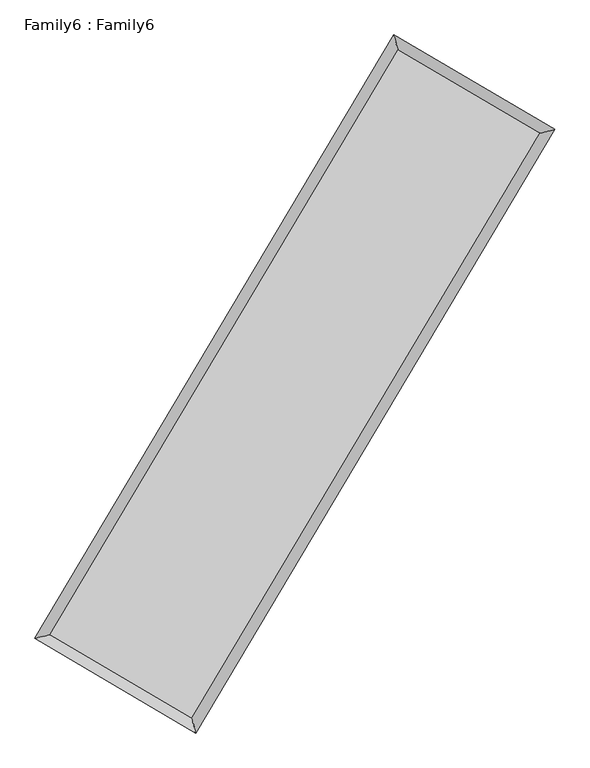
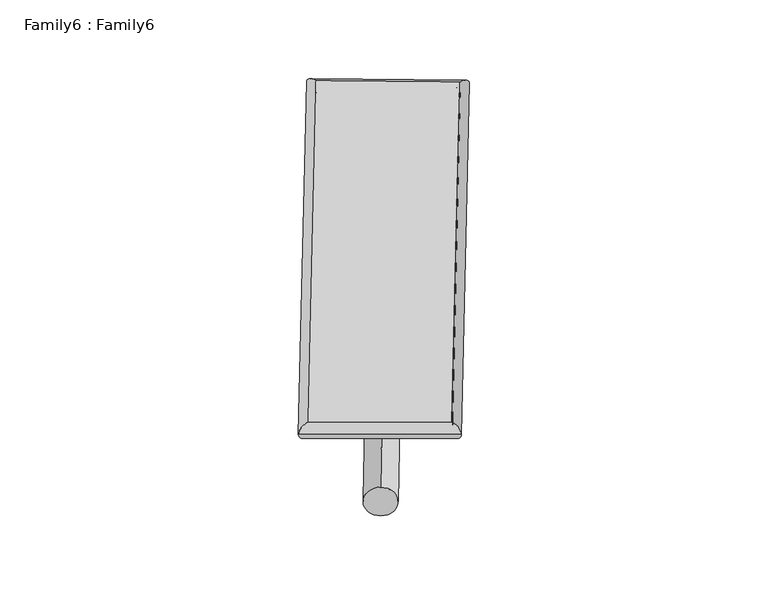
"""IFC4 building model written with IfcOpenShell, lengths in millimetres: plate geometry, Family6 : Family6."""

import ifcopenshell
import ifcopenshell.guid

model = None  # the IFC model being written
_history = None  # IfcOwnerHistory: only IFC2X3 demands one
_inside = {}  # id of a spatial element -> (the spatial element, [elements in it])
_under = {}  # id of a project, library or spatial element -> (it, [spatial elements below it])
_declared = {}  # id of a project -> (the project, [libraries it declares])
_typed = {}  # id of a type object -> (the type object, [elements of that type])
_made_of = {}  # id of a material, layer set ... -> (it, [elements and type objects made of it])


def new_model(schema):
    """Start an empty IFC model of exactly this schema.

    Asked for "IFC4X3", IfcOpenShell would pick the latest addendum, in which some entities
    have other attributes; the version numbers below select the first issue.
    IFC2X3 requires an IfcOwnerHistory on every rooted entity: one is made here for all.
    """
    global model, _history
    if schema == "IFC4X3":
        model = ifcopenshell.file(schema_version=(4, 3, 0, 0))
    else:
        model = ifcopenshell.file(schema=schema)
    _inside.clear()
    _under.clear()
    _declared.clear()
    _typed.clear()
    _made_of.clear()
    _history = None
    if model.schema == "IFC2X3":
        org = make("IfcOrganization", Name="unknown")
        user = make(
            "IfcPersonAndOrganization",
            ThePerson=make("IfcPerson", FamilyName="unknown"),
            TheOrganization=org,
        )
        app = make(
            "IfcApplication",
            ApplicationDeveloper=org,
            Version="unknown",
            ApplicationFullName="unknown",
            ApplicationIdentifier="unknown",
        )
        _history = make(
            "IfcOwnerHistory",
            OwningUser=user,
            OwningApplication=app,
            ChangeAction="ADDED",
            CreationDate=0,
        )
    return model


def make(cls, **values):
    """One entity of the class cls with the attributes given. An attribute that is None is left unset."""
    return model.create_entity(
        cls, **{name: value for name, value in values.items() if value is not None}
    )


def rooted(cls, **values):
    """An entity with a GlobalId (a new one), such as an element, a storey or a relation."""
    return make(cls, GlobalId=ifcopenshell.guid.new(), OwnerHistory=_history, **values)


def si_unit(unit_type, name, prefix=None):
    """IfcSIUnit, for example si_unit("LENGTHUNIT", "METRE", prefix="MILLI")."""
    return make("IfcSIUnit", UnitType=unit_type, Prefix=prefix, Name=name)


def assignment(units):
    """IfcUnitAssignment: the units of a project."""
    return None if units is None else make("IfcUnitAssignment", Units=units)


def point(xyz):
    """IfcCartesianPoint."""
    return None if xyz is None else make("IfcCartesianPoint", Coordinates=xyz)


def direction(xyz):
    """IfcDirection."""
    return None if xyz is None else make("IfcDirection", DirectionRatios=xyz)


def frame(location, z_axis=None, x_axis=None):
    """IfcAxis2Placement3D, a coordinate frame: its origin and axes. An axis left out is left unset."""
    return make(
        "IfcAxis2Placement3D",
        Location=point(location),
        Axis=direction(z_axis),
        RefDirection=direction(x_axis),
    )


def frame_2d(location, x_axis=None):
    """IfcAxis2Placement2D, a coordinate frame in the plane: its origin and x axis."""
    return make(
        "IfcAxis2Placement2D", Location=point(location), RefDirection=direction(x_axis)
    )


def origin():
    """The frame at (0, 0, 0) with its axes left unset."""
    return frame((0.0, 0.0, 0.0))


def origin_2d():
    """The frame at (0, 0) in the plane with its x axis left unset."""
    return frame_2d((0.0, 0.0))


def place(relative_to, where):
    """IfcLocalPlacement: puts the frame where relative to a parent placement (None: the world)."""
    return make(
        "IfcLocalPlacement", PlacementRelTo=relative_to, RelativePlacement=where
    )


def context(
    kind, dimensions, precision=None, world=None, true_north=None, identifier=None
):
    """IfcGeometricRepresentationContext, for example the 3D "Model" context."""
    return make(
        "IfcGeometricRepresentationContext",
        ContextIdentifier=identifier,
        ContextType=kind,
        CoordinateSpaceDimension=dimensions,
        Precision=precision,
        WorldCoordinateSystem=world,
        TrueNorth=true_north,
    )


def project(units=None, contexts=None):
    """IfcProject with its units and contexts."""
    return rooted(
        "IfcProject",
        Name="project",
        RepresentationContexts=contexts,
        UnitsInContext=assignment(units),
    )


def spatial(cls, under=None, at=None, **own):
    """A site, building, storey or space (cls), placed at a placement, below another one or the project."""
    s = rooted(cls, ObjectPlacement=at, **own)
    if under is not None:
        _under.setdefault(under.id(), (under, []))[1].append(s)
    return s


def circle_curve(where, radius):
    """IfcCircle in the frame where."""
    return make("IfcCircle", Position=where, Radius=radius)


def ellipse_curve(where, semi_axis1, semi_axis2):
    """IfcEllipse in the frame where."""
    return make(
        "IfcEllipse", Position=where, SemiAxis1=semi_axis1, SemiAxis2=semi_axis2
    )


def trimmed(basis, trim1, trim2, sense, master):
    """IfcTrimmedCurve: the piece of a basis curve between two trims."""
    return make(
        "IfcTrimmedCurve",
        BasisCurve=basis,
        Trim1=trim1,
        Trim2=trim2,
        SenseAgreement=sense,
        MasterRepresentation=master,
    )


def segment(curve, same_sense, transition):
    """IfcCompositeCurveSegment."""
    return make(
        "IfcCompositeCurveSegment",
        Transition=transition,
        SameSense=same_sense,
        ParentCurve=curve,
    )


def composite_curve(segments, self_intersect=None):
    """IfcCompositeCurve: segments joined end to end."""
    return make("IfcCompositeCurve", Segments=segments, SelfIntersect=self_intersect)


def outline(outer, holes=None, kind="AREA"):
    """IfcArbitraryClosedProfileDef: a profile drawn as a closed curve; with holes, ...WithVoids."""
    if holes is None:
        return make("IfcArbitraryClosedProfileDef", ProfileType=kind, OuterCurve=outer)
    return make(
        "IfcArbitraryProfileDefWithVoids",
        ProfileType=kind,
        OuterCurve=outer,
        InnerCurves=holes,
    )


def extrude(swept, where, along, depth):
    """IfcExtrudedAreaSolid: the profile swept, set in the frame where, extruded along a direction by depth."""
    return make(
        "IfcExtrudedAreaSolid",
        SweptArea=swept,
        Position=where,
        ExtrudedDirection=direction(along),
        Depth=depth,
    )


def shape(context_of_items, identifier, shape_type, items):
    """IfcShapeRepresentation: the items that make up one representation, for example the "Body"."""
    return make(
        "IfcShapeRepresentation",
        ContextOfItems=context_of_items,
        RepresentationIdentifier=identifier,
        RepresentationType=shape_type,
        Items=items,
    )


def source(mapping_origin, context_of_items, identifier, shape_type, items):
    """IfcRepresentationMap: a shape defined once, which mapped items show again and again."""
    return make(
        "IfcRepresentationMap",
        MappingOrigin=mapping_origin,
        MappedRepresentation=shape(context_of_items, identifier, shape_type, items),
    )


def transform(
    local_origin,
    x_axis=None,
    y_axis=None,
    z_axis=None,
    scale=None,
    scale2=None,
    scale3=None,
    uniform=True,
):
    """IfcCartesianTransformationOperator3D, or its non-uniform kind. x_axis, y_axis, z_axis: its Axis1, 2, 3."""
    if uniform:
        return make(
            "IfcCartesianTransformationOperator3D",
            Axis1=direction(x_axis),
            Axis2=direction(y_axis),
            LocalOrigin=point(local_origin),
            Scale=scale,
            Axis3=direction(z_axis),
        )
    return make(
        "IfcCartesianTransformationOperator3DnonUniform",
        Axis1=direction(x_axis),
        Axis2=direction(y_axis),
        LocalOrigin=point(local_origin),
        Scale=scale,
        Axis3=direction(z_axis),
        Scale2=scale2,
        Scale3=scale3,
    )


def mapped(mapping_source, mapping_target):
    """IfcMappedItem: shows the shape of a source again, moved by a transform."""
    return make(
        "IfcMappedItem", MappingSource=mapping_source, MappingTarget=mapping_target
    )


def made_of(thing, what):
    """Note that an element or type object is made of a material, layer set ...; save() writes the relation."""
    if what is not None:
        _made_of.setdefault(what.id(), (what, []))[1].append(thing)
    return thing


def element(
    cls,
    number,
    at=None,
    inside=None,
    cuts=None,
    type_object=None,
    material=None,
    context=None,
    identifier="Body",
    shape_type=None,
    held_by="IfcProductDefinitionShape",
    body=None,
    shapes=None,
    **own,
):
    """One element of the class cls, such as IfcWall. Its Tag is "e" and its number.

    at: its placement. inside: the storey or other place that contains it. cuts: it is an
    opening in that element (IfcRelVoidsElement). A single representation is given by context,
    identifier, shape_type and body (its items); several are given by shapes. held_by: the class
    of the entity that holds the representations. save() writes the other relations.
    """
    e = rooted(cls, Tag="e%d" % number, ObjectPlacement=at, **own)
    if body is not None:
        shapes = [shape(context, identifier, shape_type, body)]
    if shapes is not None:
        e.Representation = make(held_by, Representations=shapes)
    if inside is not None:
        _inside.setdefault(inside.id(), (inside, []))[1].append(e)
    if cuts is not None:
        rooted(
            "IfcRelVoidsElement", RelatingBuildingElement=cuts, RelatedOpeningElement=e
        )
    if type_object is not None:
        _typed.setdefault(type_object.id(), (type_object, []))[1].append(e)
    return made_of(e, material)


def aggregate(whole, parts):
    """IfcRelAggregates: a whole, such as a stair, and the parts it consists of."""
    return rooted("IfcRelAggregates", RelatingObject=whole, RelatedObjects=parts)


def save(model, path):
    """Write the relations noted so far, then the file.

    IfcRelAggregates (storeys below a building ...), IfcRelContainedInSpatialStructure (elements
    in a storey), IfcRelDefinesByType, IfcRelAssociatesMaterial and IfcRelDeclares: one each for
    every whole, place, type object, material and project.
    """
    for whole, parts in _under.values():
        aggregate(whole, parts)
    for where, things in _inside.values():
        rooted(
            "IfcRelContainedInSpatialStructure",
            RelatedElements=things,
            RelatingStructure=where,
        )
    for kind, things in _typed.values():
        rooted("IfcRelDefinesByType", RelatedObjects=things, RelatingType=kind)
    for what, things in _made_of.values():
        rooted("IfcRelAssociatesMaterial", RelatedObjects=things, RelatingMaterial=what)
    for by, libraries in _declared.values():
        rooted("IfcRelDeclares", RelatingContext=by, RelatedDefinitions=libraries)
    model.write(path)


def plane_surface(at):
    """IfcPlane: the flat surface through the origin of the frame at, square to its z axis."""
    return make("IfcPlane", Position=at)


def cylinder_surface(at, radius):
    """IfcCylindricalSurface: all points at the distance radius from the z axis of the frame at."""
    return make("IfcCylindricalSurface", Position=at, Radius=radius)


def spline_surface(u_degree, v_degree, points, u_multiplicities, v_multiplicities, u_knots, v_knots, weights=None):
    """IfcBSplineSurfaceWithKnots; with weights, IfcRationalBSplineSurfaceWithKnots. points: one row for each step in u."""
    own = dict(
        UDegree=u_degree,
        VDegree=v_degree,
        ControlPointsList=[[point(p) for p in row] for row in points],
        SurfaceForm="UNSPECIFIED",
        UClosed=False,
        VClosed=False,
        SelfIntersect=False,
        UMultiplicities=u_multiplicities,
        VMultiplicities=v_multiplicities,
        UKnots=u_knots,
        VKnots=v_knots,
        KnotSpec="UNSPECIFIED",
    )
    if weights is None:
        return make("IfcBSplineSurfaceWithKnots", **own)
    return make("IfcRationalBSplineSurfaceWithKnots", WeightsData=weights, **own)


def advanced_brep(points, edges, surfaces, faces):
    """IfcAdvancedBrep: a solid bounded by faces that lie on surfaces and meet in shared edges.

    An edge is (start, end): straight between two places in points (the first is 0);
    or (start, end, curve); or (start, end, curve, False) where it runs against its curve.
    A face is (place in surfaces, loops), or (place, loops, False) where it looks against
    its surface's normal. A loop lists edges by number (the first is 1), with a minus sign
    where the edge is run from its end to its start. The first loop is the outer one.
    """
    corners = [point(p) for p in points]
    vertices = [make("IfcVertexPoint", VertexGeometry=c) for c in corners]
    made = []
    for start, end, *more in edges:
        made.append(
            make(
                "IfcEdgeCurve",
                EdgeStart=vertices[start],
                EdgeEnd=vertices[end],
                EdgeGeometry=more[0] if more else make("IfcPolyline", Points=[corners[start], corners[end]]),
                SameSense=more[1] if len(more) > 1 else True,
            )
        )
    hull = []
    for where, loops, *sense in faces:
        bounds = []
        for j, loop in enumerate(loops):
            ring = [make("IfcOrientedEdge", EdgeElement=made[abs(k) - 1], Orientation=k > 0) for k in loop]
            bounds.append(
                make(
                    "IfcFaceOuterBound" if j == 0 else "IfcFaceBound",
                    Bound=make("IfcEdgeLoop", EdgeList=ring),
                    Orientation=True,
                )
            )
        hull.append(make("IfcAdvancedFace", Bounds=bounds, FaceSurface=surfaces[where], SameSense=sense[0] if sense else True))
    return make("IfcAdvancedBrep", Outer=make("IfcClosedShell", CfsFaces=hull))


def family6_family6_c6d0a77d(model_context):
    return source(origin(), model_context, "Body", "SolidModel", [
        extrude(outline(composite_curve([segment(trimmed(circle_curve(origin_2d(), 76.2), [point((-75.4341514, -10.7763073))], [point((75.4341514, 10.7763073))], False, "CARTESIAN"), True, "CONTINUOUS"), segment(trimmed(circle_curve(origin_2d(), 76.2), [point((75.4341514, 10.7763073))], [point((-75.4341514, -10.7763073))], False, "CARTESIAN"), True, "CONTINUOUS")], self_intersect=False)), frame((9144.0, 9144.0, 0.0), z_axis=(0.6739268355115491, 0.686989128838307, 0.2717877061888078), x_axis=(-0.6789254276279382, 0.7209551271179722, -0.1388667289257222)), (0.0, 0.0, 1.0), 5573.2175865),
        extrude(outline(composite_curve([segment(trimmed(circle_curve(origin_2d(), 76.2), [point((-53.8815367, 53.8815367))], [point((53.8815367, -53.8815367))], False, "CARTESIAN"), True, "CONTINUOUS"), segment(trimmed(circle_curve(origin_2d(), 76.2), [point((53.8815367, -53.8815367))], [point((-53.8815367, 53.8815367))], False, "CARTESIAN"), True, "CONTINUOUS")], self_intersect=False)), frame((9144.0, 9144.0, 0.0), z_axis=(-0.6739138930798025, -0.6869968011154859, 0.2718004046559058), x_axis=(0.6404460441401136, -0.3598098464817958, 0.6785025710489433)), (0.0, 0.0, 1.0), 5572.8796665),
        extrude(outline(composite_curve([segment(trimmed(circle_curve(origin_2d(), 76.2), [point((-53.8815367, -53.8815367))], [point((53.8815367, 53.8815367))], False, "CARTESIAN"), True, "CONTINUOUS"), segment(trimmed(circle_curve(origin_2d(), 76.2), [point((53.8815367, 53.8815367))], [point((-53.8815367, -53.8815367))], False, "CARTESIAN"), True, "CONTINUOUS")], self_intersect=False)), frame((9144.0, 9144.0, 0.0), z_axis=(0.28133186233677127, 0.9193631714337553, 0.2749977131639307), x_axis=(-0.8387164456191477, 0.3748198882054105, -0.3950503452139573)), (0.0, 0.0, 1.0), 5563.6882644),
        extrude(outline(composite_curve([segment(trimmed(circle_curve(origin_2d(), 76.2), [point((-75.4341514, 10.7763074))], [point((75.4341514, -10.7763074))], False, "CARTESIAN"), True, "CONTINUOUS"), segment(trimmed(circle_curve(origin_2d(), 76.2), [point((75.4341514, -10.7763074))], [point((-75.4341514, 10.7763074))], False, "CARTESIAN"), True, "CONTINUOUS")], self_intersect=False)), frame((9144.0, 9144.0, 0.0), z_axis=(-0.2814207527928578, -0.9193611109844868, 0.2749136364512887), x_axis=(0.8762267608479873, -0.12940944599082788, 0.46419808149344094)), (0.0, 0.0, 1.0), 5565.4213612),
        advanced_brep(
        [(5179.095201, 5261.7631156, 1515.9318864), (5597.6307129, 5369.1471622, 1516.2625696), (5597.6227355, 5369.1358766, 1513.4900105), (10762.7376118, 14050.9124553, 1528.332979), (10655.74795, 14467.1877199, 1531.67012), (5179.0872237, 5261.75183, 1513.1593274), (12690.5948625, 12918.9342881, 1514.8954974), (13109.2869209, 13026.545501, 1514.5685505), (7524.3433732, 4235.6198187, 1529.7261187), (7631.2064887, 3819.11625, 1530.2943309)],
        [
            (0, 1, ellipse_curve(frame((5388.3589683, 5315.4494961, 1514.7109485), z_axis=(-0.24851769413597227, 0.9686219787695906, -0.0032276842816630832), x_axis=(-0.9686092590733124, -0.24853204057019995, -0.005284699372847915)), 216.0571211, 152.4)),
            (1, 2, ellipse_curve(frame((5388.3589683, 5315.4494961, 1514.7109485), z_axis=(-0.24851769413597227, 0.9686219787695906, -0.0032276842816630832), x_axis=(-0.9686092590733124, -0.24853204057019995, -0.005284699372847915)), 216.0571211, 152.4)),
            (2, 3),
            (3, 4, ellipse_curve(frame((10709.2427809, 14259.0500876, 1530.0015495), z_axis=(-0.9685112612672231, -0.2489491603114105, 0.003201933605851158), x_axis=(0.24893048488621664, -0.9685068291792015, -0.00530429331411009)), 214.909356, 152.4)),
            (4, 0),
            (2, 5, ellipse_curve(frame((5388.3589683, 5315.4494961, 1514.7109485), z_axis=(-0.24851769413597227, 0.9686219787695906, -0.0032276842816630832), x_axis=(-0.9686092590733124, -0.24853204057019995, -0.005284699372847915)), 216.0571211, 152.4)),
            (5, 0, ellipse_curve(frame((5388.3589683, 5315.4494961, 1514.7109485), z_axis=(-0.24851769413597227, 0.9686219787695906, -0.0032276842816630832), x_axis=(-0.9686092590733124, -0.24853204057019995, -0.005284699372847915)), 216.0571211, 152.4)),
            (4, 3, ellipse_curve(frame((10709.2427809, 14259.0500876, 1530.0015495), z_axis=(-0.9685112612672231, -0.2489491603114105, 0.003201933605851158), x_axis=(0.24893048488621664, -0.9685068291792015, -0.00530429331411009)), 214.909356, 152.4)),
            (3, 6),
            (6, 7, ellipse_curve(frame((12899.9408917, 12972.7398946, 1514.7320239), z_axis=(-0.24892356370679547, 0.9685177754059694, 0.0032215142683133633), x_axis=(-0.9685051092956215, -0.2489378466725702, 0.005272737647564241)), 216.1522474, 152.4)),
            (7, 4),
            (7, 6, ellipse_curve(frame((12899.9408917, 12972.7398946, 1514.7320239), z_axis=(-0.24892356370679547, 0.9685177754059694, 0.0032215142683133633), x_axis=(-0.9685051092956215, -0.2489378466725702, 0.005272737647564241)), 216.1522474, 152.4)),
            (6, 8),
            (8, 9, ellipse_curve(frame((7577.7749309, 4027.3680343, 1530.0102248), z_axis=(0.9686201281587611, 0.24852509809946863, 0.0032129332944554004), x_axis=(-0.24850635314520264, 0.9686157133215716, -0.005309647164827219)), 214.9989438, 152.4)),
            (9, 7),
            (9, 8, ellipse_curve(frame((7577.7749309, 4027.3680343, 1530.0102248), z_axis=(0.9686201281587611, 0.24852509809946863, 0.0032129332944554004), x_axis=(-0.24850635314520264, 0.9686157133215716, -0.005309647164827219)), 214.9989438, 152.4)),
            (8, 1),
            (5, 9),
        ],
        [
            cylinder_surface(frame((5388.3589683, 5315.4494961, 1514.7109485), z_axis=(-0.5112925768163332, -0.8594054584723791, -0.0014692992866837695), x_axis=(-0.8593748319766755, 0.5112581350362082, 0.009487756550367547)), 152.4),
            cylinder_surface(frame((10709.2427809, 14259.0500876, 1530.0015495), z_axis=(-0.8623201775260529, 0.5063277448078497, 0.006010513225487049), x_axis=(0.5063564044732579, 0.8623099587190992, 0.0049725991975991465)), 152.4),
            cylinder_surface(frame((12899.9408917, 12972.7398946, 1514.7320239), z_axis=(0.5113087810344934, 0.859395820328733, -0.001467800573863186), x_axis=(0.8593969790053855, -0.5113087810344934, 0.00040362536799239704)), 152.4),
            cylinder_surface(frame((7577.7749309, 4027.3680343, 1530.0102248), z_axis=(0.8618859420925088, -0.5070664154839943, 0.006022716291020438), x_axis=(-0.5070498562154839, -0.8619068368652243, -0.004128907463355878)), 152.4),
        ],
        [
            (0, [[1, 2, 3, 4, 5]]),
            (0, [[6, 7, -5, 8, -3]]),
            (1, [[-4, 9, 10, 11]]),
            (1, [[-8, -11, 12, -9]]),
            (2, [[-10, 13, 14, 15]]),
            (2, [[-12, -15, 16, -13]]),
            (3, [[-14, 17, -1, -7, 18]]),
            (3, [[-16, -18, -6, -2, -17]]),
        ],
    ),
        extrude(outline(composite_curve([segment(trimmed(circle_curve(origin_2d(), 304.8), [point((0.0, 304.8))], [point((1e-07, -304.8))], False, "CARTESIAN"), True, "CONTINUOUS"), segment(trimmed(circle_curve(origin_2d(), 304.8), [point((1e-07, -304.8))], [point((0.0, 304.8))], False, "CARTESIAN"), True, "CONTINUOUS")], self_intersect=False)), frame((11807.2606139, 13638.5556178, -5.45e-05), z_axis=(-0.509776925759557, -0.8603066232240312, 1.043283269639393e-08), x_axis=(-0.8603066232240312, 0.509776925759557, -2.858892890309839e-09)), (0.0, 0.0, 1.0), 10448.7295493),
        advanced_brep(
        [(5388.3589683, 5315.4494961, 1514.7109485), (7577.7749309, 4027.3680343, 1530.0102248), (7577.7741602, 4027.3684144, 1682.4102248), (5388.3581976, 5315.4498762, 1667.1109485), (12899.9408917, 12972.7398946, 1514.7320239), (12899.940121, 12972.7402747, 1667.1320239), (10709.2427809, 14259.0500876, 1530.0015495), (10709.2420102, 14259.0504677, 1682.4015495)],
        [
            (0, 1),
            (1, 2),
            (2, 3),
            (3, 0),
            (1, 4),
            (4, 5),
            (5, 2),
            (4, 6),
            (6, 7),
            (7, 5),
            (6, 0),
            (3, 7),
        ],
        [
            plane_surface(frame((6483.0669496, 4671.4087652, 1522.3605866), z_axis=(-0.5070756100205508, -0.8619015754261704, -4.1454031326224397e-07), x_axis=(0.8618859420925092, -0.5070664154839933, 0.0060227162910204465))),
            plane_surface(frame((10238.8579113, 8500.0539645, 1522.3711244), z_axis=(0.8593967502931376, -0.5113093247281888, 5.621251543143227e-06), x_axis=(0.511308781034493, 0.8593958203287333, -0.0014678005738631807))),
            plane_surface(frame((11804.5918363, 13615.8949911, 1522.3667867), z_axis=(0.5063368930454927, 0.8623357529065288, 4.0972172506408694e-07), x_axis=(-0.8623201775260532, 0.5063277448078495, 0.006010513225487051))),
            plane_surface(frame((8048.8008746, 9787.2497919, 1522.356249), z_axis=(-0.859406381896978, 0.5112931358067967, -5.621259872014999e-06), x_axis=(-0.5112925768163331, -0.8594054584723794, -0.0014692992866837688))),
            spline_surface(1, 1, [[(7577.7741602, 4027.3684144, 1682.4102248), (5388.3581976, 5315.4498762, 1667.1109485)], [(12899.940121, 12972.7402747, 1667.1320239), (10709.2420102, 14259.0504677, 1682.4015495)]], [2, 2], [2, 2], [0.0, 1.0], [0.0, 1.0]),
            spline_surface(1, 1, [[(10709.2427809, 14259.0500876, 1530.0015495), (5388.3589683, 5315.4494961, 1514.7109485)], [(12899.9408917, 12972.7398946, 1514.7320239), (7577.7749309, 4027.3680343, 1530.0102248)]], [2, 2], [2, 2], [0.0, 1.0], [0.0, 1.0]),
        ],
        [
            (0, [[1, 2, 3, 4]]),
            (1, [[5, 6, 7, -2]]),
            (2, [[8, 9, 10, -6]]),
            (3, [[11, -4, 12, -9]]),
            (4, [[-3, -7, -10, -12]]),
            (5, [[-11, -8, -5, -1]]),
        ],
    ),
    ])


if __name__ == "__main__":
    model = new_model("IFC4")
    model_context = context("Model", 3, world=origin())
    ifc_project = project(units=[si_unit("LENGTHUNIT", "METRE", prefix="MILLI")], contexts=[model_context])
    site = spatial("IfcSite", under=ifc_project)
    building = spatial("IfcBuilding", under=site)
    placement = place(None, origin())
    family6_family6_shape = family6_family6_c6d0a77d(model_context)
    element("IfcPlate", 1, ObjectType="Family6 : Family6", at=placement, inside=building, context=model_context, shape_type="MappedRepresentation", body=[
        mapped(family6_family6_shape, transform((0.0, 0.0, 0.0), x_axis=(1.0, 0.0, 0.0), y_axis=(0.0, 1.0, 0.0), z_axis=(0.0, 0.0, 1.0))),
    ])
    save(model, "model.ifc")
